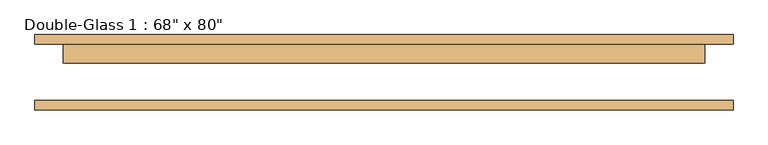
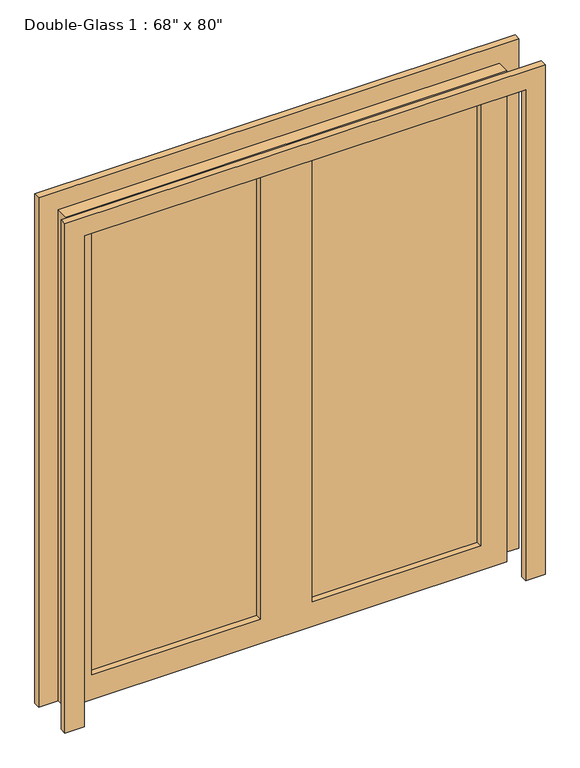
"""IFC4 building model written with IfcOpenShell, lengths in millimetres: door geometry."""

from ifc_helpers import new_model, si_unit, frame, origin, place, context, project, spatial, polyline, outline, extrude, source, transform, mapped, element, save


def door_ba58f829(model_context):
    return source(origin(), model_context, "Body", "SweptSolid", [
        extrude(outline(polyline([(0.0, 939.8), (2108.2, 939.8), (2108.2, -939.8), (0.0, -939.8), (0.0, -863.6), (2032.0, -863.6), (2032.0, 863.6), (0.0, 863.6), (0.0, 939.8)])), frame((0.0, -99.21875, 0.0), z_axis=(0.0, 1.0, 0.0), x_axis=(0.0, 0.0, 1.0)), (0.0, 0.0, 1.0), 25.4),
        extrude(outline(polyline([(2032.0, 863.6), (0.0, 863.6), (0.0, 939.8), (2108.2, 939.8), (2108.2, -939.8), (0.0, -939.8), (0.0, -863.6), (2032.0, -863.6), (2032.0, 863.6)])), frame((0.0, 78.58125, 0.0), z_axis=(0.0, 1.0, 0.0), x_axis=(0.0, 0.0, 1.0)), (0.0, 0.0, 1.0), 25.4),
        extrude(outline(polyline([(762.0, 53.18125), (101.6, 53.18125), (101.6, 60.325), (762.0, 60.325), (762.0, 53.18125)])), frame((0.0, 0.0, 101.6), z_axis=(0.0, 0.0, 1.0), x_axis=(1.0, 0.0, 0.0)), (0.0, 0.0, 1.0), 1828.8),
        extrude(outline(polyline([(-101.6, 53.18125), (-762.0, 53.18125), (-762.0, 60.325), (-101.6, 60.325), (-101.6, 53.18125)])), frame((0.0, 0.0, 101.6), z_axis=(0.0, 0.0, 1.0), x_axis=(1.0, 0.0, 0.0)), (0.0, 0.0, 1.0), 1828.8),
        extrude(outline(polyline([(2032.0, 863.6), (2032.0, -863.6), (0.0, -863.6), (0.0, 863.6), (2032.0, 863.6)]), holes=[polyline([(1930.4, -101.6), (101.6, -101.6), (101.6, -762.0), (1930.4, -762.0), (1930.4, -101.6)]), polyline([(1930.4, 762.0), (101.6, 762.0), (101.6, 101.6), (1930.4, 101.6), (1930.4, 762.0)])]), frame((0.0, 27.78125, 0.0), z_axis=(0.0, 1.0, 0.0), x_axis=(0.0, 0.0, 1.0)), (0.0, 0.0, 1.0), 50.8),
    ])


if __name__ == "__main__":
    model = new_model("IFC4")
    model_context = context("Model", 3, world=origin())
    ifc_project = project(units=[si_unit("LENGTHUNIT", "METRE", prefix="MILLI")], contexts=[model_context])
    site = spatial("IfcSite", under=ifc_project)
    building = spatial("IfcBuilding", under=site)
    placement = place(None, origin())
    door_shape = door_ba58f829(model_context)
    element("IfcDoor", 1, ObjectType="Double-Glass 1 : 68\" x 80\"", at=placement, inside=building, context=model_context, shape_type="MappedRepresentation", body=[
        mapped(door_shape, transform((0.0, 0.0, 0.0), x_axis=(1.0, 0.0, 0.0), y_axis=(0.0, 1.0, 0.0), z_axis=(0.0, 0.0, 1.0))),
    ])
    save(model, "model.ifc")
